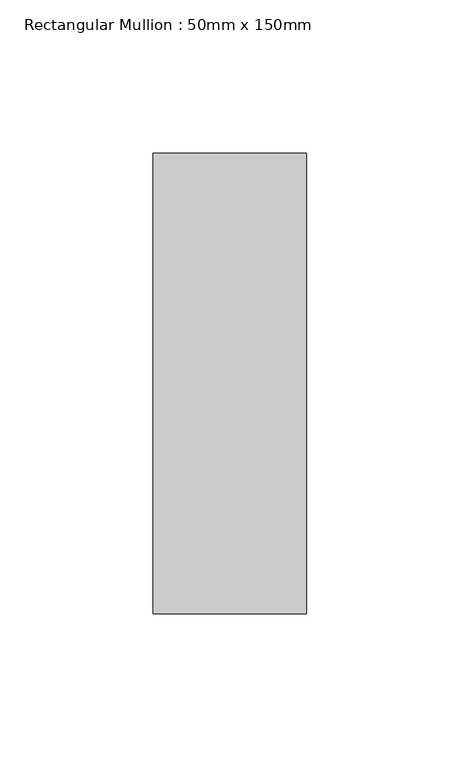
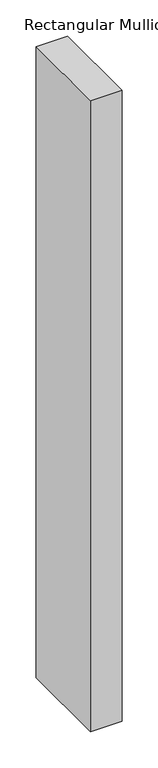
"""IFC4 building model written with IfcOpenShell, lengths in millimetres: member geometry, Rectangular Mullion : 50mm x 150mm."""

from ifc_helpers import new_model, si_unit, frame, origin, place, context, project, spatial, polyline, outline, extrude, source, transform, mapped, element, save


def rectangular_mullion_50mm_x_150mm_3000909d(model_context):
    return source(origin(), model_context, "Body", "SweptSolid", [
        extrude(outline(polyline([(0.0, 75.0), (0.0, -75.0), (-50.0, -75.0), (-50.0, 75.0), (0.0, 75.0)])), frame((0.0, 0.0, -1061.5789473), z_axis=(0.0, 0.0, 1.0), x_axis=(1.0, 0.0, 0.0)), (0.0, 0.0, 1.0), 1061.5789473),
    ])


if __name__ == "__main__":
    model = new_model("IFC4")
    model_context = context("Model", 3, world=origin())
    ifc_project = project(units=[si_unit("LENGTHUNIT", "METRE", prefix="MILLI")], contexts=[model_context])
    site = spatial("IfcSite", under=ifc_project)
    building = spatial("IfcBuilding", under=site)
    placement = place(None, origin())
    rectangular_mullion_50mm_x_150mm_shape = rectangular_mullion_50mm_x_150mm_3000909d(model_context)
    element("IfcMember", 1, ObjectType="Rectangular Mullion : 50mm x 150mm", at=placement, inside=building, context=model_context, shape_type="MappedRepresentation", body=[
        mapped(rectangular_mullion_50mm_x_150mm_shape, transform((0.0, 0.0, 0.0), x_axis=(1.0, 0.0, 0.0), y_axis=(0.0, 1.0, 0.0), z_axis=(0.0, 0.0, 1.0))),
    ])
    save(model, "model.ifc")
